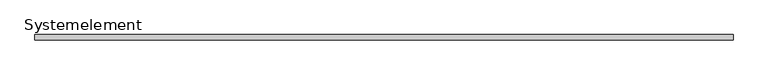
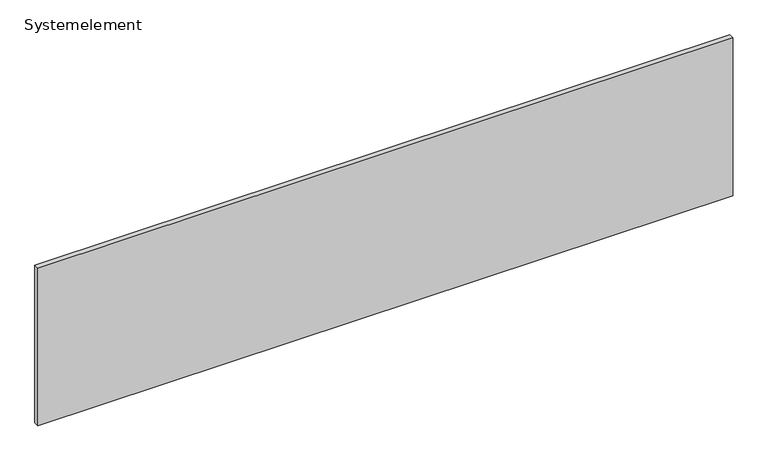
"""IFC4 building model written with IfcOpenShell, lengths in millimetres: plate geometry, Systemelement."""

from ifc_helpers import new_model, si_unit, origin, origin_with_axes, place, context, project, spatial, polyline, outline, extrude, source, transform, mapped, element, save


def systemelement_9b5fc990(model_context):
    return source(origin(), model_context, "Body", "SweptSolid", [
        extrude(outline(polyline([(675.0, 0.0), (-675.0, 0.0), (-675.0, 10.0), (675.0, 10.0), (675.0, 0.0)])), origin_with_axes(), (0.0, 0.0, 1.0), 324.0),
    ])


if __name__ == "__main__":
    model = new_model("IFC4")
    model_context = context("Model", 3, world=origin())
    ifc_project = project(units=[si_unit("LENGTHUNIT", "METRE", prefix="MILLI")], contexts=[model_context])
    site = spatial("IfcSite", under=ifc_project)
    building = spatial("IfcBuilding", under=site)
    placement = place(None, origin())
    systemelement_shape = systemelement_9b5fc990(model_context)
    element("IfcPlate", 1, ObjectType="Systemelement", at=placement, inside=building, context=model_context, shape_type="MappedRepresentation", body=[
        mapped(systemelement_shape, transform((0.0, 0.0, 0.0), x_axis=(1.0, 0.0, 0.0), y_axis=(0.0, 1.0, 0.0), z_axis=(0.0, 0.0, 1.0))),
    ])
    save(model, "model.ifc")
